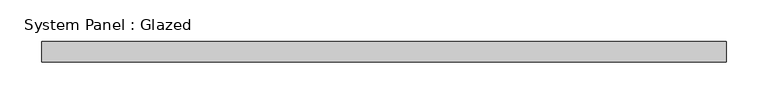
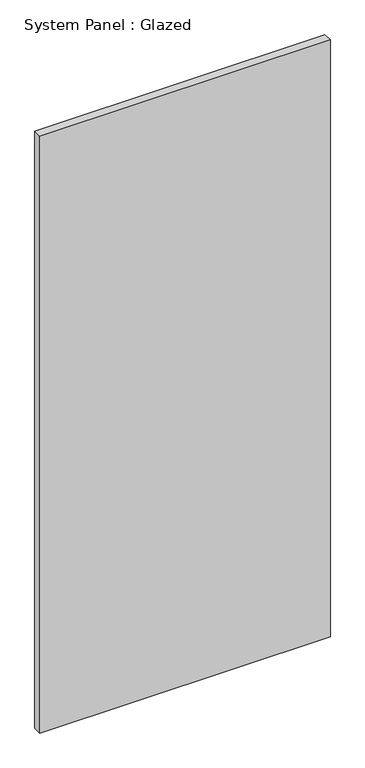
"""IFC4 building model written with IfcOpenShell, lengths in millimetres: plate geometry, System Panel : Glazed."""

from ifc_helpers import new_model, si_unit, origin, origin_with_axes, place, context, project, spatial, polyline, outline, extrude, source, transform, mapped, element, save


def system_panel_glazed_e7a8d4e8(model_context):
    return source(origin(), model_context, "Body", "SweptSolid", [
        extrude(outline(polyline([(412.5, 24.5), (-412.5, 24.5), (-412.5, 49.5), (412.5, 49.5), (412.5, 24.5)])), origin_with_axes(), (0.0, 0.0, 1.0), 1791.6666667),
    ])


if __name__ == "__main__":
    model = new_model("IFC4")
    model_context = context("Model", 3, world=origin())
    ifc_project = project(units=[si_unit("LENGTHUNIT", "METRE", prefix="MILLI")], contexts=[model_context])
    site = spatial("IfcSite", under=ifc_project)
    building = spatial("IfcBuilding", under=site)
    placement = place(None, origin())
    system_panel_glazed_shape = system_panel_glazed_e7a8d4e8(model_context)
    element("IfcPlate", 1, ObjectType="System Panel : Glazed", at=placement, inside=building, context=model_context, shape_type="MappedRepresentation", body=[
        mapped(system_panel_glazed_shape, transform((0.0, 0.0, 0.0), x_axis=(1.0, 0.0, 0.0), y_axis=(0.0, 1.0, 0.0), z_axis=(0.0, 0.0, 1.0))),
    ])
    save(model, "model.ifc")
